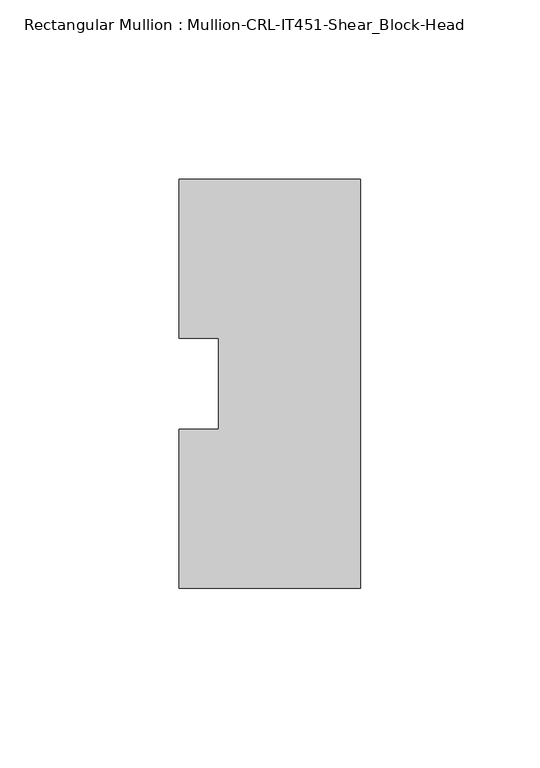
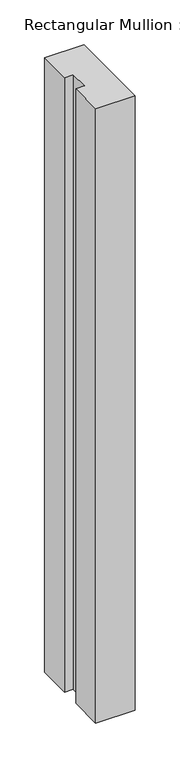
"""IFC4 building model written with IfcOpenShell, lengths in millimetres: member geometry, Rectangular Mullion : Mullion-CRL-IT451-Shear_Block-Head."""

from ifc_helpers import new_model, si_unit, frame, origin, place, context, project, spatial, polyline, outline, extrude, source, transform, mapped, element, save


def rectangular_mullion_mullion_crl_it451_shear_block_head_f73851b7(model_context):
    return source(origin(), model_context, "Body", "SweptSolid", [
        extrude(outline(polyline([(0.0, -57.1909821), (-50.8, -57.1909821), (-50.8, -12.7), (-39.6875, -12.7), (-39.6875, 12.7), (-50.8, 12.7), (-50.8, 57.1090179), (0.0, 57.1090179), (0.0, -57.1909821)])), frame((0.0, 0.0, -838.2), z_axis=(0.0, 0.0, 1.0), x_axis=(1.0, 0.0, 0.0)), (0.0, 0.0, 1.0), 838.2),
    ])


if __name__ == "__main__":
    model = new_model("IFC4")
    model_context = context("Model", 3, world=origin())
    ifc_project = project(units=[si_unit("LENGTHUNIT", "METRE", prefix="MILLI")], contexts=[model_context])
    site = spatial("IfcSite", under=ifc_project)
    building = spatial("IfcBuilding", under=site)
    placement = place(None, origin())
    rectangular_mullion_mullion_crl_it451_shear_block_head_shape = rectangular_mullion_mullion_crl_it451_shear_block_head_f73851b7(model_context)
    element("IfcMember", 1, ObjectType="Rectangular Mullion : Mullion-CRL-IT451-Shear_Block-Head", at=placement, inside=building, context=model_context, shape_type="MappedRepresentation", body=[
        mapped(rectangular_mullion_mullion_crl_it451_shear_block_head_shape, transform((0.0, 0.0, 0.0), x_axis=(1.0, 0.0, 0.0), y_axis=(0.0, 1.0, 0.0), z_axis=(0.0, 0.0, 1.0))),
    ])
    save(model, "model.ifc")
